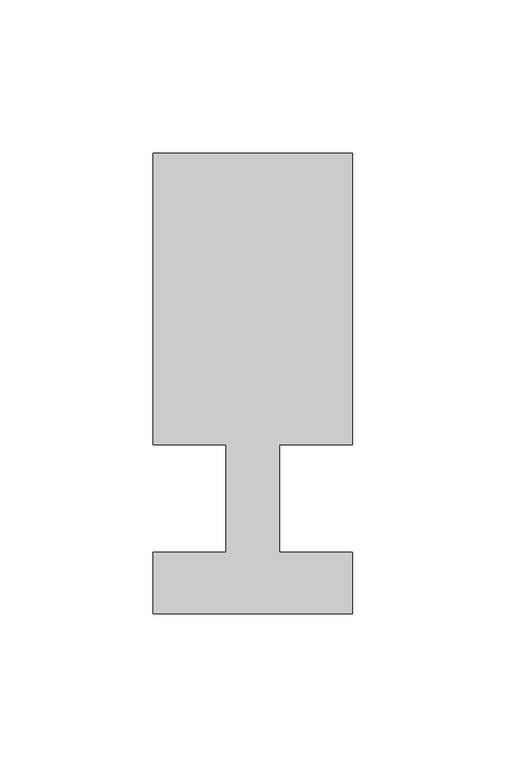
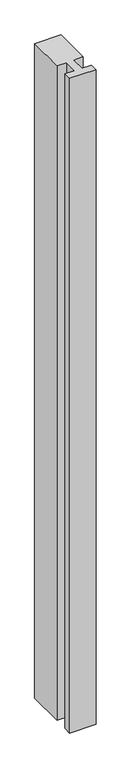
"""IFC4 building model written with IfcOpenShell, lengths in millimetres: member geometry."""

import ifcopenshell
import ifcopenshell.guid

model = None  # the IFC model being written
_history = None  # IfcOwnerHistory: only IFC2X3 demands one
_inside = {}  # id of a spatial element -> (the spatial element, [elements in it])
_under = {}  # id of a project, library or spatial element -> (it, [spatial elements below it])
_declared = {}  # id of a project -> (the project, [libraries it declares])
_typed = {}  # id of a type object -> (the type object, [elements of that type])
_made_of = {}  # id of a material, layer set ... -> (it, [elements and type objects made of it])


def new_model(schema):
    """Start an empty IFC model of exactly this schema.

    Asked for "IFC4X3", IfcOpenShell would pick the latest addendum, in which some entities
    have other attributes; the version numbers below select the first issue.
    IFC2X3 requires an IfcOwnerHistory on every rooted entity: one is made here for all.
    """
    global model, _history
    if schema == "IFC4X3":
        model = ifcopenshell.file(schema_version=(4, 3, 0, 0))
    else:
        model = ifcopenshell.file(schema=schema)
    _inside.clear()
    _under.clear()
    _declared.clear()
    _typed.clear()
    _made_of.clear()
    _history = None
    if model.schema == "IFC2X3":
        org = make("IfcOrganization", Name="unknown")
        user = make(
            "IfcPersonAndOrganization",
            ThePerson=make("IfcPerson", FamilyName="unknown"),
            TheOrganization=org,
        )
        app = make(
            "IfcApplication",
            ApplicationDeveloper=org,
            Version="unknown",
            ApplicationFullName="unknown",
            ApplicationIdentifier="unknown",
        )
        _history = make(
            "IfcOwnerHistory",
            OwningUser=user,
            OwningApplication=app,
            ChangeAction="ADDED",
            CreationDate=0,
        )
    return model


def make(cls, **values):
    """One entity of the class cls with the attributes given. An attribute that is None is left unset."""
    return model.create_entity(
        cls, **{name: value for name, value in values.items() if value is not None}
    )


def rooted(cls, **values):
    """An entity with a GlobalId (a new one), such as an element, a storey or a relation."""
    return make(cls, GlobalId=ifcopenshell.guid.new(), OwnerHistory=_history, **values)


def si_unit(unit_type, name, prefix=None):
    """IfcSIUnit, for example si_unit("LENGTHUNIT", "METRE", prefix="MILLI")."""
    return make("IfcSIUnit", UnitType=unit_type, Prefix=prefix, Name=name)


def assignment(units):
    """IfcUnitAssignment: the units of a project."""
    return None if units is None else make("IfcUnitAssignment", Units=units)


def point(xyz):
    """IfcCartesianPoint."""
    return None if xyz is None else make("IfcCartesianPoint", Coordinates=xyz)


def direction(xyz):
    """IfcDirection."""
    return None if xyz is None else make("IfcDirection", DirectionRatios=xyz)


def frame(location, z_axis=None, x_axis=None):
    """IfcAxis2Placement3D, a coordinate frame: its origin and axes. An axis left out is left unset."""
    return make(
        "IfcAxis2Placement3D",
        Location=point(location),
        Axis=direction(z_axis),
        RefDirection=direction(x_axis),
    )


def origin():
    """The frame at (0, 0, 0) with its axes left unset."""
    return frame((0.0, 0.0, 0.0))


def place(relative_to, where):
    """IfcLocalPlacement: puts the frame where relative to a parent placement (None: the world)."""
    return make(
        "IfcLocalPlacement", PlacementRelTo=relative_to, RelativePlacement=where
    )


def context(
    kind, dimensions, precision=None, world=None, true_north=None, identifier=None
):
    """IfcGeometricRepresentationContext, for example the 3D "Model" context."""
    return make(
        "IfcGeometricRepresentationContext",
        ContextIdentifier=identifier,
        ContextType=kind,
        CoordinateSpaceDimension=dimensions,
        Precision=precision,
        WorldCoordinateSystem=world,
        TrueNorth=true_north,
    )


def project(units=None, contexts=None):
    """IfcProject with its units and contexts."""
    return rooted(
        "IfcProject",
        Name="project",
        RepresentationContexts=contexts,
        UnitsInContext=assignment(units),
    )


def spatial(cls, under=None, at=None, **own):
    """A site, building, storey or space (cls), placed at a placement, below another one or the project."""
    s = rooted(cls, ObjectPlacement=at, **own)
    if under is not None:
        _under.setdefault(under.id(), (under, []))[1].append(s)
    return s


def polyline(points):
    """IfcPolyline through the points."""
    return make("IfcPolyline", Points=[point(p) for p in points])


def outline(outer, holes=None, kind="AREA"):
    """IfcArbitraryClosedProfileDef: a profile drawn as a closed curve; with holes, ...WithVoids."""
    if holes is None:
        return make("IfcArbitraryClosedProfileDef", ProfileType=kind, OuterCurve=outer)
    return make(
        "IfcArbitraryProfileDefWithVoids",
        ProfileType=kind,
        OuterCurve=outer,
        InnerCurves=holes,
    )


def extrude(swept, where, along, depth):
    """IfcExtrudedAreaSolid: the profile swept, set in the frame where, extruded along a direction by depth."""
    return make(
        "IfcExtrudedAreaSolid",
        SweptArea=swept,
        Position=where,
        ExtrudedDirection=direction(along),
        Depth=depth,
    )


def shape(context_of_items, identifier, shape_type, items):
    """IfcShapeRepresentation: the items that make up one representation, for example the "Body"."""
    return make(
        "IfcShapeRepresentation",
        ContextOfItems=context_of_items,
        RepresentationIdentifier=identifier,
        RepresentationType=shape_type,
        Items=items,
    )


def source(mapping_origin, context_of_items, identifier, shape_type, items):
    """IfcRepresentationMap: a shape defined once, which mapped items show again and again."""
    return make(
        "IfcRepresentationMap",
        MappingOrigin=mapping_origin,
        MappedRepresentation=shape(context_of_items, identifier, shape_type, items),
    )


def transform(
    local_origin,
    x_axis=None,
    y_axis=None,
    z_axis=None,
    scale=None,
    scale2=None,
    scale3=None,
    uniform=True,
):
    """IfcCartesianTransformationOperator3D, or its non-uniform kind. x_axis, y_axis, z_axis: its Axis1, 2, 3."""
    if uniform:
        return make(
            "IfcCartesianTransformationOperator3D",
            Axis1=direction(x_axis),
            Axis2=direction(y_axis),
            LocalOrigin=point(local_origin),
            Scale=scale,
            Axis3=direction(z_axis),
        )
    return make(
        "IfcCartesianTransformationOperator3DnonUniform",
        Axis1=direction(x_axis),
        Axis2=direction(y_axis),
        LocalOrigin=point(local_origin),
        Scale=scale,
        Axis3=direction(z_axis),
        Scale2=scale2,
        Scale3=scale3,
    )


def mapped(mapping_source, mapping_target):
    """IfcMappedItem: shows the shape of a source again, moved by a transform."""
    return make(
        "IfcMappedItem", MappingSource=mapping_source, MappingTarget=mapping_target
    )


def made_of(thing, what):
    """Note that an element or type object is made of a material, layer set ...; save() writes the relation."""
    if what is not None:
        _made_of.setdefault(what.id(), (what, []))[1].append(thing)
    return thing


def element(
    cls,
    number,
    at=None,
    inside=None,
    cuts=None,
    type_object=None,
    material=None,
    context=None,
    identifier="Body",
    shape_type=None,
    held_by="IfcProductDefinitionShape",
    body=None,
    shapes=None,
    **own,
):
    """One element of the class cls, such as IfcWall. Its Tag is "e" and its number.

    at: its placement. inside: the storey or other place that contains it. cuts: it is an
    opening in that element (IfcRelVoidsElement). A single representation is given by context,
    identifier, shape_type and body (its items); several are given by shapes. held_by: the class
    of the entity that holds the representations. save() writes the other relations.
    """
    e = rooted(cls, Tag="e%d" % number, ObjectPlacement=at, **own)
    if body is not None:
        shapes = [shape(context, identifier, shape_type, body)]
    if shapes is not None:
        e.Representation = make(held_by, Representations=shapes)
    if inside is not None:
        _inside.setdefault(inside.id(), (inside, []))[1].append(e)
    if cuts is not None:
        rooted(
            "IfcRelVoidsElement", RelatingBuildingElement=cuts, RelatedOpeningElement=e
        )
    if type_object is not None:
        _typed.setdefault(type_object.id(), (type_object, []))[1].append(e)
    return made_of(e, material)


def aggregate(whole, parts):
    """IfcRelAggregates: a whole, such as a stair, and the parts it consists of."""
    return rooted("IfcRelAggregates", RelatingObject=whole, RelatedObjects=parts)


def save(model, path):
    """Write the relations noted so far, then the file.

    IfcRelAggregates (storeys below a building ...), IfcRelContainedInSpatialStructure (elements
    in a storey), IfcRelDefinesByType, IfcRelAssociatesMaterial and IfcRelDeclares: one each for
    every whole, place, type object, material and project.
    """
    for whole, parts in _under.values():
        aggregate(whole, parts)
    for where, things in _inside.values():
        rooted(
            "IfcRelContainedInSpatialStructure",
            RelatedElements=things,
            RelatingStructure=where,
        )
    for kind, things in _typed.values():
        rooted("IfcRelDefinesByType", RelatedObjects=things, RelatingType=kind)
    for what, things in _made_of.values():
        rooted("IfcRelAssociatesMaterial", RelatedObjects=things, RelatingMaterial=what)
    for by, libraries in _declared.values():
        rooted("IfcRelDeclares", RelatingContext=by, RelatedDefinitions=libraries)
    model.write(path)


def member_63265c4a(model_context):
    return source(origin(), model_context, "Body", "SweptSolid", [
        extrude(outline(polyline([(0.0, -37.0), (-65.0, -37.0), (-65.0, -17.0), (-41.1875, -17.0), (-41.1875, 18.0), (-65.0, 18.0), (-65.0, 113.0), (0.0, 113.0), (0.0, 18.0), (-23.8125, 18.0), (-23.8125, -17.0), (0.0, -17.0), (0.0, -37.0)])), frame((0.0, 0.0, -1708.0), z_axis=(0.0, 0.0, 1.0), x_axis=(1.0, 0.0, 0.0)), (0.0, 0.0, 1.0), 1708.0),
    ])


if __name__ == "__main__":
    model = new_model("IFC4")
    model_context = context("Model", 3, world=origin())
    ifc_project = project(units=[si_unit("LENGTHUNIT", "METRE", prefix="MILLI")], contexts=[model_context])
    site = spatial("IfcSite", under=ifc_project)
    building = spatial("IfcBuilding", under=site)
    placement = place(None, origin())
    member_shape = member_63265c4a(model_context)
    element("IfcMember", 1, at=placement, inside=building, context=model_context, shape_type="MappedRepresentation", body=[
        mapped(member_shape, transform((0.0, 0.0, 0.0), x_axis=(1.0, 0.0, 0.0), y_axis=(0.0, 1.0, 0.0), z_axis=(0.0, 0.0, 1.0))),
    ])
    save(model, "model.ifc")
